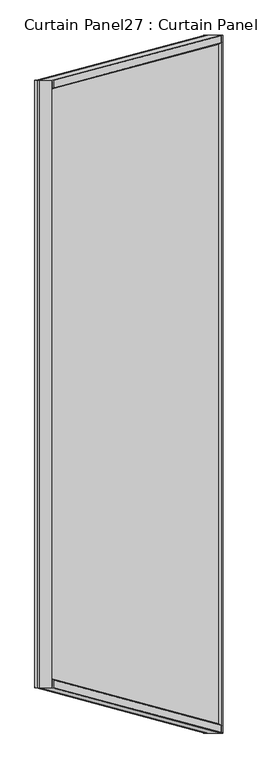
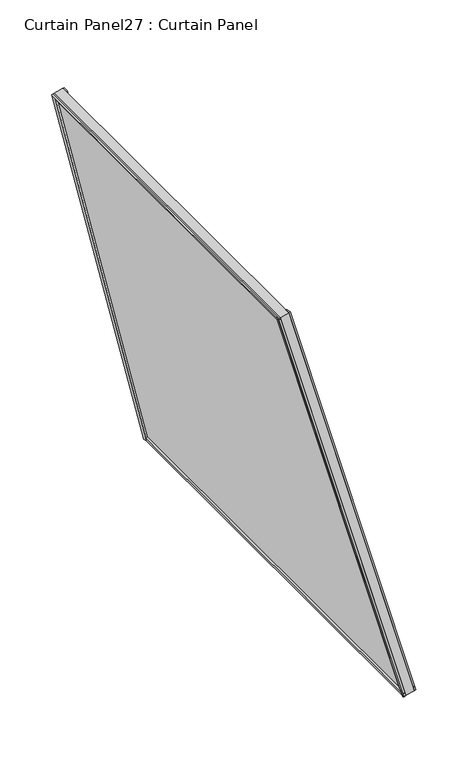
"""IFC4 building model written with IfcOpenShell, lengths in millimetres: plate geometry, Curtain Panel27 : Curtain Panel."""

import ifcopenshell
import ifcopenshell.guid

model = None  # the IFC model being written
_history = None  # IfcOwnerHistory: only IFC2X3 demands one
_inside = {}  # id of a spatial element -> (the spatial element, [elements in it])
_under = {}  # id of a project, library or spatial element -> (it, [spatial elements below it])
_declared = {}  # id of a project -> (the project, [libraries it declares])
_typed = {}  # id of a type object -> (the type object, [elements of that type])
_made_of = {}  # id of a material, layer set ... -> (it, [elements and type objects made of it])


def new_model(schema):
    """Start an empty IFC model of exactly this schema.

    Asked for "IFC4X3", IfcOpenShell would pick the latest addendum, in which some entities
    have other attributes; the version numbers below select the first issue.
    IFC2X3 requires an IfcOwnerHistory on every rooted entity: one is made here for all.
    """
    global model, _history
    if schema == "IFC4X3":
        model = ifcopenshell.file(schema_version=(4, 3, 0, 0))
    else:
        model = ifcopenshell.file(schema=schema)
    _inside.clear()
    _under.clear()
    _declared.clear()
    _typed.clear()
    _made_of.clear()
    _history = None
    if model.schema == "IFC2X3":
        org = make("IfcOrganization", Name="unknown")
        user = make(
            "IfcPersonAndOrganization",
            ThePerson=make("IfcPerson", FamilyName="unknown"),
            TheOrganization=org,
        )
        app = make(
            "IfcApplication",
            ApplicationDeveloper=org,
            Version="unknown",
            ApplicationFullName="unknown",
            ApplicationIdentifier="unknown",
        )
        _history = make(
            "IfcOwnerHistory",
            OwningUser=user,
            OwningApplication=app,
            ChangeAction="ADDED",
            CreationDate=0,
        )
    return model


def make(cls, **values):
    """One entity of the class cls with the attributes given. An attribute that is None is left unset."""
    return model.create_entity(
        cls, **{name: value for name, value in values.items() if value is not None}
    )


def rooted(cls, **values):
    """An entity with a GlobalId (a new one), such as an element, a storey or a relation."""
    return make(cls, GlobalId=ifcopenshell.guid.new(), OwnerHistory=_history, **values)


def si_unit(unit_type, name, prefix=None):
    """IfcSIUnit, for example si_unit("LENGTHUNIT", "METRE", prefix="MILLI")."""
    return make("IfcSIUnit", UnitType=unit_type, Prefix=prefix, Name=name)


def assignment(units):
    """IfcUnitAssignment: the units of a project."""
    return None if units is None else make("IfcUnitAssignment", Units=units)


def point(xyz):
    """IfcCartesianPoint."""
    return None if xyz is None else make("IfcCartesianPoint", Coordinates=xyz)


def direction(xyz):
    """IfcDirection."""
    return None if xyz is None else make("IfcDirection", DirectionRatios=xyz)


def frame(location, z_axis=None, x_axis=None):
    """IfcAxis2Placement3D, a coordinate frame: its origin and axes. An axis left out is left unset."""
    return make(
        "IfcAxis2Placement3D",
        Location=point(location),
        Axis=direction(z_axis),
        RefDirection=direction(x_axis),
    )


def origin():
    """The frame at (0, 0, 0) with its axes left unset."""
    return frame((0.0, 0.0, 0.0))


def place(relative_to, where):
    """IfcLocalPlacement: puts the frame where relative to a parent placement (None: the world)."""
    return make(
        "IfcLocalPlacement", PlacementRelTo=relative_to, RelativePlacement=where
    )


def context(
    kind, dimensions, precision=None, world=None, true_north=None, identifier=None
):
    """IfcGeometricRepresentationContext, for example the 3D "Model" context."""
    return make(
        "IfcGeometricRepresentationContext",
        ContextIdentifier=identifier,
        ContextType=kind,
        CoordinateSpaceDimension=dimensions,
        Precision=precision,
        WorldCoordinateSystem=world,
        TrueNorth=true_north,
    )


def project(units=None, contexts=None):
    """IfcProject with its units and contexts."""
    return rooted(
        "IfcProject",
        Name="project",
        RepresentationContexts=contexts,
        UnitsInContext=assignment(units),
    )


def spatial(cls, under=None, at=None, **own):
    """A site, building, storey or space (cls), placed at a placement, below another one or the project."""
    s = rooted(cls, ObjectPlacement=at, **own)
    if under is not None:
        _under.setdefault(under.id(), (under, []))[1].append(s)
    return s


def polyline(points):
    """IfcPolyline through the points."""
    return make("IfcPolyline", Points=[point(p) for p in points])


def outline(outer, holes=None, kind="AREA"):
    """IfcArbitraryClosedProfileDef: a profile drawn as a closed curve; with holes, ...WithVoids."""
    if holes is None:
        return make("IfcArbitraryClosedProfileDef", ProfileType=kind, OuterCurve=outer)
    return make(
        "IfcArbitraryProfileDefWithVoids",
        ProfileType=kind,
        OuterCurve=outer,
        InnerCurves=holes,
    )


def extrude(swept, where, along, depth):
    """IfcExtrudedAreaSolid: the profile swept, set in the frame where, extruded along a direction by depth."""
    return make(
        "IfcExtrudedAreaSolid",
        SweptArea=swept,
        Position=where,
        ExtrudedDirection=direction(along),
        Depth=depth,
    )


def shape(context_of_items, identifier, shape_type, items):
    """IfcShapeRepresentation: the items that make up one representation, for example the "Body"."""
    return make(
        "IfcShapeRepresentation",
        ContextOfItems=context_of_items,
        RepresentationIdentifier=identifier,
        RepresentationType=shape_type,
        Items=items,
    )


def source(mapping_origin, context_of_items, identifier, shape_type, items):
    """IfcRepresentationMap: a shape defined once, which mapped items show again and again."""
    return make(
        "IfcRepresentationMap",
        MappingOrigin=mapping_origin,
        MappedRepresentation=shape(context_of_items, identifier, shape_type, items),
    )


def transform(
    local_origin,
    x_axis=None,
    y_axis=None,
    z_axis=None,
    scale=None,
    scale2=None,
    scale3=None,
    uniform=True,
):
    """IfcCartesianTransformationOperator3D, or its non-uniform kind. x_axis, y_axis, z_axis: its Axis1, 2, 3."""
    if uniform:
        return make(
            "IfcCartesianTransformationOperator3D",
            Axis1=direction(x_axis),
            Axis2=direction(y_axis),
            LocalOrigin=point(local_origin),
            Scale=scale,
            Axis3=direction(z_axis),
        )
    return make(
        "IfcCartesianTransformationOperator3DnonUniform",
        Axis1=direction(x_axis),
        Axis2=direction(y_axis),
        LocalOrigin=point(local_origin),
        Scale=scale,
        Axis3=direction(z_axis),
        Scale2=scale2,
        Scale3=scale3,
    )


def mapped(mapping_source, mapping_target):
    """IfcMappedItem: shows the shape of a source again, moved by a transform."""
    return make(
        "IfcMappedItem", MappingSource=mapping_source, MappingTarget=mapping_target
    )


def made_of(thing, what):
    """Note that an element or type object is made of a material, layer set ...; save() writes the relation."""
    if what is not None:
        _made_of.setdefault(what.id(), (what, []))[1].append(thing)
    return thing


def element(
    cls,
    number,
    at=None,
    inside=None,
    cuts=None,
    type_object=None,
    material=None,
    context=None,
    identifier="Body",
    shape_type=None,
    held_by="IfcProductDefinitionShape",
    body=None,
    shapes=None,
    **own,
):
    """One element of the class cls, such as IfcWall. Its Tag is "e" and its number.

    at: its placement. inside: the storey or other place that contains it. cuts: it is an
    opening in that element (IfcRelVoidsElement). A single representation is given by context,
    identifier, shape_type and body (its items); several are given by shapes. held_by: the class
    of the entity that holds the representations. save() writes the other relations.
    """
    e = rooted(cls, Tag="e%d" % number, ObjectPlacement=at, **own)
    if body is not None:
        shapes = [shape(context, identifier, shape_type, body)]
    if shapes is not None:
        e.Representation = make(held_by, Representations=shapes)
    if inside is not None:
        _inside.setdefault(inside.id(), (inside, []))[1].append(e)
    if cuts is not None:
        rooted(
            "IfcRelVoidsElement", RelatingBuildingElement=cuts, RelatedOpeningElement=e
        )
    if type_object is not None:
        _typed.setdefault(type_object.id(), (type_object, []))[1].append(e)
    return made_of(e, material)


def aggregate(whole, parts):
    """IfcRelAggregates: a whole, such as a stair, and the parts it consists of."""
    return rooted("IfcRelAggregates", RelatingObject=whole, RelatedObjects=parts)


def save(model, path):
    """Write the relations noted so far, then the file.

    IfcRelAggregates (storeys below a building ...), IfcRelContainedInSpatialStructure (elements
    in a storey), IfcRelDefinesByType, IfcRelAssociatesMaterial and IfcRelDeclares: one each for
    every whole, place, type object, material and project.
    """
    for whole, parts in _under.values():
        aggregate(whole, parts)
    for where, things in _inside.values():
        rooted(
            "IfcRelContainedInSpatialStructure",
            RelatedElements=things,
            RelatingStructure=where,
        )
    for kind, things in _typed.values():
        rooted("IfcRelDefinesByType", RelatedObjects=things, RelatingType=kind)
    for what, things in _made_of.values():
        rooted("IfcRelAssociatesMaterial", RelatedObjects=things, RelatingMaterial=what)
    for by, libraries in _declared.values():
        rooted("IfcRelDeclares", RelatingContext=by, RelatedDefinitions=libraries)
    model.write(path)


def curtain_panel27_curtain_panel_35dd6476(model_context):
    return source(origin(), model_context, "Body", "SweptSolid", [
        extrude(outline(polyline([(990.8788745, -9236.9324626), (1002.9220456, -9240.0494646), (1006.0780787, -9245.7430991), (989.6959111, -9241.5030821), (990.8788745, -9236.9324626)])), frame((0.0, -14473.9986955, 0.0), z_axis=(0.0, 1.0, 0.0), x_axis=(0.0, 0.0, 1.0)), (0.0, 0.0, 1.0), 1545.7655054),
        extrude(outline(polyline([(982.1383104, -9270.7034088), (993.3038102, -9273.5932528), (990.4581676, -9279.8259361), (980.4477945, -9277.2350608), (982.1383104, -9270.7034088)])), frame((0.0, -14473.9986955, 0.0), z_axis=(0.0, 1.0, 0.0), x_axis=(0.0, 0.0, 1.0)), (0.0, 0.0, 1.0), 1545.7655054),
        extrude(outline(polyline([(2425.3622186, -9647.5946886), (2422.5648669, -9653.5936289), (2412.8368711, -9648.1996529), (2412.7453397, -9640.9717681), (2426.1489868, -9644.4408872), (2425.3622186, -9647.5946886)])), frame((0.0, -14373.8733641, 0.0), z_axis=(0.0, 1.0, 0.0), x_axis=(0.0, 0.0, 1.0)), (0.0, 0.0, 1.0), 1345.5148427),
        extrude(outline(polyline([(41.5450748, -0.3776096), (41.5450748, -16.5223664), (36.8101563, -19.5475942), (36.8101563, -0.3776096), (41.5450748, -0.3776096)])), frame((-9277.0602587, -12928.23319, 980.1683943), z_axis=(-0.2499999999999998, -0.06698729810777883, 0.9659258262890685), x_axis=(0.968100345886375, 0.0, 0.25056280708573103)), (0.0, 0.0, 1.0), 1494.6912997),
        extrude(outline(polyline([(0.2976563, 0.0210532), (6.6476563, 0.0210532), (6.6476563, -11.4539207), (0.2964421, -13.0977359), (-2.8857055, -0.8028615), (0.2976563, 0.0210532)])), frame((-9277.0602587, -12928.23319, 980.1683943), z_axis=(-0.2499999999999998, -0.06698729810777883, 0.9659258262890685), x_axis=(0.968100345886375, 0.0, 0.25056280708573103)), (0.0, 0.0, 1.0), 1494.6912997),
        extrude(outline(polyline([(41.5447044, 0.3938097), (36.8101563, 0.3938097), (36.8101563, 19.5731163), (41.5447045, 16.5306259), (41.5447044, 0.3938097)])), frame((-9277.0602587, -14474.0197961, 980.1683943), z_axis=(-0.24999999999999942, 0.06698729810776291, 0.9659258262890698), x_axis=(0.968100345886375, 0.0, 0.250562807085731)), (0.0, 0.0, 1.0), 1494.6912997),
        extrude(outline(polyline([(0.2976562, 0.0), (-2.8857054, 0.8239147), (0.2964422, 13.1187891), (6.6476563, 11.4749739), (6.6476562, 0.0), (0.2976562, 0.0)])), frame((-9277.0602587, -14474.0197961, 980.1683943), z_axis=(-0.24999999999999942, 0.06698729810776291, 0.9659258262890698), x_axis=(0.968100345886375, 0.0, 0.250562807085731)), (0.0, 0.0, 1.0), 1494.6912997),
        extrude(outline(polyline([(-69.1681417, 0.0), (-172.7147964, -1542.2934507), (-1653.9918452, -1342.4925847), (-1563.8594414, 0.0), (-69.1681417, 0.0)])), frame((-9253.4113734, -12923.5998031, 915.327016), z_axis=(0.968100345886375, 0.0, 0.250562807085731), x_axis=(0.2499999999999997, 0.06698729810778024, -0.9659258262890684)), (0.0, 0.0, 1.0), 30.1625),
    ])


if __name__ == "__main__":
    model = new_model("IFC4")
    model_context = context("Model", 3, world=origin())
    ifc_project = project(units=[si_unit("LENGTHUNIT", "METRE", prefix="MILLI")], contexts=[model_context])
    site = spatial("IfcSite", under=ifc_project)
    building = spatial("IfcBuilding", under=site)
    placement = place(None, origin())
    curtain_panel27_curtain_panel_shape = curtain_panel27_curtain_panel_35dd6476(model_context)
    element("IfcPlate", 1, ObjectType="Curtain Panel27 : Curtain Panel", at=placement, inside=building, context=model_context, shape_type="MappedRepresentation", body=[
        mapped(curtain_panel27_curtain_panel_shape, transform((0.0, 0.0, 0.0), x_axis=(1.0, 0.0, 0.0), y_axis=(0.0, 1.0, 0.0), z_axis=(0.0, 0.0, 1.0))),
    ])
    save(model, "model.ifc")
